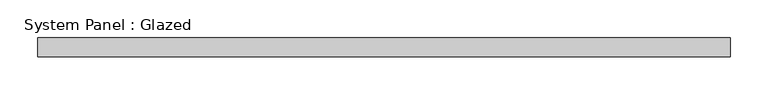
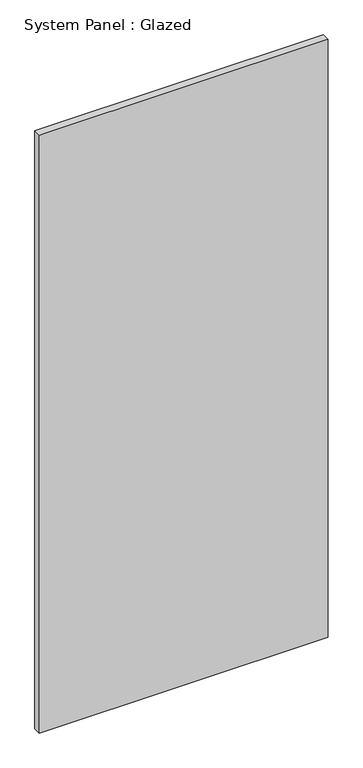
"""IFC4 building model written with IfcOpenShell, lengths in millimetres: plate geometry, System Panel : Glazed."""

from ifc_helpers import new_model, si_unit, origin, origin_with_axes, place, context, project, spatial, polyline, outline, extrude, source, transform, mapped, element, save


def system_panel_glazed_24ad5d0a(model_context):
    return source(origin(), model_context, "Body", "SweptSolid", [
        extrude(outline(polyline([(456.8117031, 24.5), (-456.8117031, 24.5), (-456.8117031, 49.5), (456.8117031, 49.5), (456.8117031, 24.5)])), origin_with_axes(), (0.0, 0.0, 1.0), 2000.0),
    ])


if __name__ == "__main__":
    model = new_model("IFC4")
    model_context = context("Model", 3, world=origin())
    ifc_project = project(units=[si_unit("LENGTHUNIT", "METRE", prefix="MILLI")], contexts=[model_context])
    site = spatial("IfcSite", under=ifc_project)
    building = spatial("IfcBuilding", under=site)
    placement = place(None, origin())
    system_panel_glazed_shape = system_panel_glazed_24ad5d0a(model_context)
    element("IfcPlate", 1, ObjectType="System Panel : Glazed", at=placement, inside=building, context=model_context, shape_type="MappedRepresentation", body=[
        mapped(system_panel_glazed_shape, transform((0.0, 0.0, 0.0), x_axis=(1.0, 0.0, 0.0), y_axis=(0.0, 1.0, 0.0), z_axis=(0.0, 0.0, 1.0))),
    ])
    save(model, "model.ifc")
